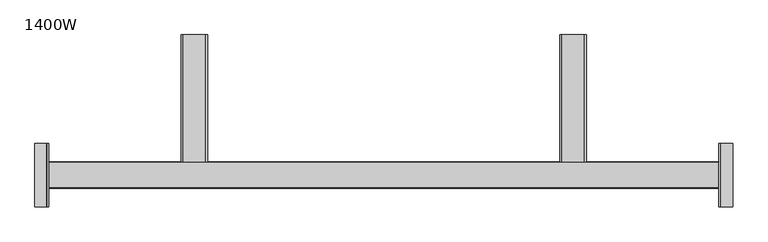
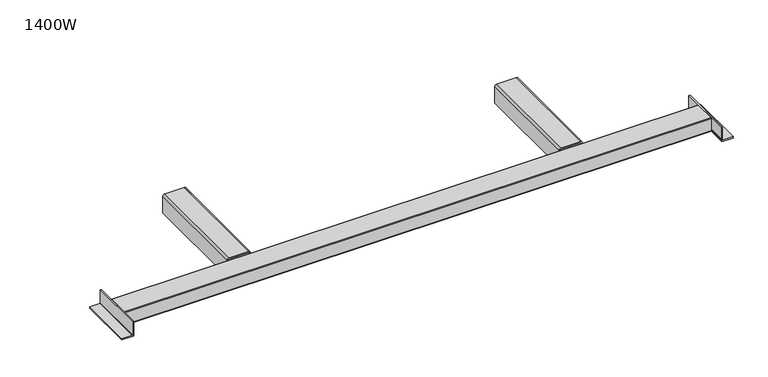
"""IFC4 building model written with IfcOpenShell, lengths in millimetres: furniture geometry, 1400W."""

import ifcopenshell
import ifcopenshell.guid

model = None  # the IFC model being written
_history = None  # IfcOwnerHistory: only IFC2X3 demands one
_inside = {}  # id of a spatial element -> (the spatial element, [elements in it])
_under = {}  # id of a project, library or spatial element -> (it, [spatial elements below it])
_declared = {}  # id of a project -> (the project, [libraries it declares])
_typed = {}  # id of a type object -> (the type object, [elements of that type])
_made_of = {}  # id of a material, layer set ... -> (it, [elements and type objects made of it])


def new_model(schema):
    """Start an empty IFC model of exactly this schema.

    Asked for "IFC4X3", IfcOpenShell would pick the latest addendum, in which some entities
    have other attributes; the version numbers below select the first issue.
    IFC2X3 requires an IfcOwnerHistory on every rooted entity: one is made here for all.
    """
    global model, _history
    if schema == "IFC4X3":
        model = ifcopenshell.file(schema_version=(4, 3, 0, 0))
    else:
        model = ifcopenshell.file(schema=schema)
    _inside.clear()
    _under.clear()
    _declared.clear()
    _typed.clear()
    _made_of.clear()
    _history = None
    if model.schema == "IFC2X3":
        org = make("IfcOrganization", Name="unknown")
        user = make(
            "IfcPersonAndOrganization",
            ThePerson=make("IfcPerson", FamilyName="unknown"),
            TheOrganization=org,
        )
        app = make(
            "IfcApplication",
            ApplicationDeveloper=org,
            Version="unknown",
            ApplicationFullName="unknown",
            ApplicationIdentifier="unknown",
        )
        _history = make(
            "IfcOwnerHistory",
            OwningUser=user,
            OwningApplication=app,
            ChangeAction="ADDED",
            CreationDate=0,
        )
    return model


def make(cls, **values):
    """One entity of the class cls with the attributes given. An attribute that is None is left unset."""
    return model.create_entity(
        cls, **{name: value for name, value in values.items() if value is not None}
    )


def rooted(cls, **values):
    """An entity with a GlobalId (a new one), such as an element, a storey or a relation."""
    return make(cls, GlobalId=ifcopenshell.guid.new(), OwnerHistory=_history, **values)


def si_unit(unit_type, name, prefix=None):
    """IfcSIUnit, for example si_unit("LENGTHUNIT", "METRE", prefix="MILLI")."""
    return make("IfcSIUnit", UnitType=unit_type, Prefix=prefix, Name=name)


def assignment(units):
    """IfcUnitAssignment: the units of a project."""
    return None if units is None else make("IfcUnitAssignment", Units=units)


def point(xyz):
    """IfcCartesianPoint."""
    return None if xyz is None else make("IfcCartesianPoint", Coordinates=xyz)


def direction(xyz):
    """IfcDirection."""
    return None if xyz is None else make("IfcDirection", DirectionRatios=xyz)


def frame(location, z_axis=None, x_axis=None):
    """IfcAxis2Placement3D, a coordinate frame: its origin and axes. An axis left out is left unset."""
    return make(
        "IfcAxis2Placement3D",
        Location=point(location),
        Axis=direction(z_axis),
        RefDirection=direction(x_axis),
    )


def frame_2d(location, x_axis=None):
    """IfcAxis2Placement2D, a coordinate frame in the plane: its origin and x axis."""
    return make(
        "IfcAxis2Placement2D", Location=point(location), RefDirection=direction(x_axis)
    )


def origin():
    """The frame at (0, 0, 0) with its axes left unset."""
    return frame((0.0, 0.0, 0.0))


def place(relative_to, where):
    """IfcLocalPlacement: puts the frame where relative to a parent placement (None: the world)."""
    return make(
        "IfcLocalPlacement", PlacementRelTo=relative_to, RelativePlacement=where
    )


def context(
    kind, dimensions, precision=None, world=None, true_north=None, identifier=None
):
    """IfcGeometricRepresentationContext, for example the 3D "Model" context."""
    return make(
        "IfcGeometricRepresentationContext",
        ContextIdentifier=identifier,
        ContextType=kind,
        CoordinateSpaceDimension=dimensions,
        Precision=precision,
        WorldCoordinateSystem=world,
        TrueNorth=true_north,
    )


def project(units=None, contexts=None):
    """IfcProject with its units and contexts."""
    return rooted(
        "IfcProject",
        Name="project",
        RepresentationContexts=contexts,
        UnitsInContext=assignment(units),
    )


def spatial(cls, under=None, at=None, **own):
    """A site, building, storey or space (cls), placed at a placement, below another one or the project."""
    s = rooted(cls, ObjectPlacement=at, **own)
    if under is not None:
        _under.setdefault(under.id(), (under, []))[1].append(s)
    return s


def polyline(points):
    """IfcPolyline through the points."""
    return make("IfcPolyline", Points=[point(p) for p in points])


def circle_curve(where, radius):
    """IfcCircle in the frame where."""
    return make("IfcCircle", Position=where, Radius=radius)


def trimmed(basis, trim1, trim2, sense, master):
    """IfcTrimmedCurve: the piece of a basis curve between two trims."""
    return make(
        "IfcTrimmedCurve",
        BasisCurve=basis,
        Trim1=trim1,
        Trim2=trim2,
        SenseAgreement=sense,
        MasterRepresentation=master,
    )


def segment(curve, same_sense, transition):
    """IfcCompositeCurveSegment."""
    return make(
        "IfcCompositeCurveSegment",
        Transition=transition,
        SameSense=same_sense,
        ParentCurve=curve,
    )


def composite_curve(segments, self_intersect=None):
    """IfcCompositeCurve: segments joined end to end."""
    return make("IfcCompositeCurve", Segments=segments, SelfIntersect=self_intersect)


def outline(outer, holes=None, kind="AREA"):
    """IfcArbitraryClosedProfileDef: a profile drawn as a closed curve; with holes, ...WithVoids."""
    if holes is None:
        return make("IfcArbitraryClosedProfileDef", ProfileType=kind, OuterCurve=outer)
    return make(
        "IfcArbitraryProfileDefWithVoids",
        ProfileType=kind,
        OuterCurve=outer,
        InnerCurves=holes,
    )


def extrude(swept, where, along, depth):
    """IfcExtrudedAreaSolid: the profile swept, set in the frame where, extruded along a direction by depth."""
    return make(
        "IfcExtrudedAreaSolid",
        SweptArea=swept,
        Position=where,
        ExtrudedDirection=direction(along),
        Depth=depth,
    )


def shape(context_of_items, identifier, shape_type, items):
    """IfcShapeRepresentation: the items that make up one representation, for example the "Body"."""
    return make(
        "IfcShapeRepresentation",
        ContextOfItems=context_of_items,
        RepresentationIdentifier=identifier,
        RepresentationType=shape_type,
        Items=items,
    )


def source(mapping_origin, context_of_items, identifier, shape_type, items):
    """IfcRepresentationMap: a shape defined once, which mapped items show again and again."""
    return make(
        "IfcRepresentationMap",
        MappingOrigin=mapping_origin,
        MappedRepresentation=shape(context_of_items, identifier, shape_type, items),
    )


def transform(
    local_origin,
    x_axis=None,
    y_axis=None,
    z_axis=None,
    scale=None,
    scale2=None,
    scale3=None,
    uniform=True,
):
    """IfcCartesianTransformationOperator3D, or its non-uniform kind. x_axis, y_axis, z_axis: its Axis1, 2, 3."""
    if uniform:
        return make(
            "IfcCartesianTransformationOperator3D",
            Axis1=direction(x_axis),
            Axis2=direction(y_axis),
            LocalOrigin=point(local_origin),
            Scale=scale,
            Axis3=direction(z_axis),
        )
    return make(
        "IfcCartesianTransformationOperator3DnonUniform",
        Axis1=direction(x_axis),
        Axis2=direction(y_axis),
        LocalOrigin=point(local_origin),
        Scale=scale,
        Axis3=direction(z_axis),
        Scale2=scale2,
        Scale3=scale3,
    )


def mapped(mapping_source, mapping_target):
    """IfcMappedItem: shows the shape of a source again, moved by a transform."""
    return make(
        "IfcMappedItem", MappingSource=mapping_source, MappingTarget=mapping_target
    )


def made_of(thing, what):
    """Note that an element or type object is made of a material, layer set ...; save() writes the relation."""
    if what is not None:
        _made_of.setdefault(what.id(), (what, []))[1].append(thing)
    return thing


def element(
    cls,
    number,
    at=None,
    inside=None,
    cuts=None,
    type_object=None,
    material=None,
    context=None,
    identifier="Body",
    shape_type=None,
    held_by="IfcProductDefinitionShape",
    body=None,
    shapes=None,
    **own,
):
    """One element of the class cls, such as IfcWall. Its Tag is "e" and its number.

    at: its placement. inside: the storey or other place that contains it. cuts: it is an
    opening in that element (IfcRelVoidsElement). A single representation is given by context,
    identifier, shape_type and body (its items); several are given by shapes. held_by: the class
    of the entity that holds the representations. save() writes the other relations.
    """
    e = rooted(cls, Tag="e%d" % number, ObjectPlacement=at, **own)
    if body is not None:
        shapes = [shape(context, identifier, shape_type, body)]
    if shapes is not None:
        e.Representation = make(held_by, Representations=shapes)
    if inside is not None:
        _inside.setdefault(inside.id(), (inside, []))[1].append(e)
    if cuts is not None:
        rooted(
            "IfcRelVoidsElement", RelatingBuildingElement=cuts, RelatedOpeningElement=e
        )
    if type_object is not None:
        _typed.setdefault(type_object.id(), (type_object, []))[1].append(e)
    return made_of(e, material)


def aggregate(whole, parts):
    """IfcRelAggregates: a whole, such as a stair, and the parts it consists of."""
    return rooted("IfcRelAggregates", RelatingObject=whole, RelatedObjects=parts)


def save(model, path):
    """Write the relations noted so far, then the file.

    IfcRelAggregates (storeys below a building ...), IfcRelContainedInSpatialStructure (elements
    in a storey), IfcRelDefinesByType, IfcRelAssociatesMaterial and IfcRelDeclares: one each for
    every whole, place, type object, material and project.
    """
    for whole, parts in _under.values():
        aggregate(whole, parts)
    for where, things in _inside.values():
        rooted(
            "IfcRelContainedInSpatialStructure",
            RelatedElements=things,
            RelatingStructure=where,
        )
    for kind, things in _typed.values():
        rooted("IfcRelDefinesByType", RelatedObjects=things, RelatingType=kind)
    for what, things in _made_of.values():
        rooted("IfcRelAssociatesMaterial", RelatedObjects=things, RelatingMaterial=what)
    for by, libraries in _declared.values():
        rooted("IfcRelDeclares", RelatingContext=by, RelatedDefinitions=libraries)
    model.write(path)


def furniture_1400w_a86f9e42(model_context):
    return source(origin(), model_context, "Body", "SweptSolid", [
        extrude(outline(composite_curve([segment(polyline([(652.9999672, 319.1551504), (690.9999966, 319.1551504)]), True, "CONTINUOUS"), segment(trimmed(circle_curve(frame_2d((690.9999966, 321.1551504)), 2.0), [point((690.9999966, 319.1551504))], [point((692.9999966, 321.1551504))], True, "CARTESIAN"), True, "CONTINUOUS"), segment(polyline([(692.9999966, 321.1551504), (692.9999966, 363.1554886)]), True, "CONTINUOUS"), segment(trimmed(circle_curve(frame_2d((690.9999966, 363.1554886)), 2.0), [point((692.9999966, 363.1554886))], [point((690.9999966, 365.1554886))], True, "CARTESIAN"), True, "CONTINUOUS"), segment(polyline([(690.9999966, 365.1554886), (652.9999672, 365.1554886), (652.9999672, 367.1548192), (691.0, 367.1548192)]), True, "CONTINUOUS"), segment(trimmed(circle_curve(frame_2d((691.0, 363.1548192)), 4.0), [point((691.0, 367.1548192))], [point((695.0, 363.1548192))], False, "CARTESIAN"), True, "CONTINUOUS"), segment(polyline([(695.0, 363.1548192), (695.0, 321.1557999)]), True, "CONTINUOUS"), segment(trimmed(circle_curve(frame_2d((691.0, 321.1557999)), 4.0), [point((695.0, 321.1557999))], [point((691.0, 317.1557999))], False, "CARTESIAN"), True, "CONTINUOUS"), segment(polyline([(691.0, 317.1557999), (652.9999672, 317.1557999), (652.9999672, 319.1551504)]), True, "CONTINUOUS")], self_intersect=False)), frame((0.0, 338.1796707, 0.0), z_axis=(0.0, 1.0, 0.0), x_axis=(0.0, 0.0, 1.0)), (0.0, 0.0, 1.0), 240.3203238),
        extrude(outline(composite_curve([segment(polyline([(652.9999672, 1080.8448496), (652.9999672, 1082.8442001), (691.0, 1082.8442001)]), True, "CONTINUOUS"), segment(trimmed(circle_curve(frame_2d((691.0, 1078.8442001)), 4.0), [point((691.0, 1082.8442001))], [point((695.0, 1078.8442001))], False, "CARTESIAN"), True, "CONTINUOUS"), segment(polyline([(695.0, 1078.8442001), (695.0, 1036.8451808)]), True, "CONTINUOUS"), segment(trimmed(circle_curve(frame_2d((691.0, 1036.8451808)), 4.0), [point((695.0, 1036.8451808))], [point((691.0, 1032.8451808))], False, "CARTESIAN"), True, "CONTINUOUS"), segment(polyline([(691.0, 1032.8451808), (652.9999672, 1032.8451808), (652.9999672, 1034.8445114), (690.9999966, 1034.8445114)]), True, "CONTINUOUS"), segment(trimmed(circle_curve(frame_2d((690.9999966, 1036.8445114)), 2.0), [point((690.9999966, 1034.8445114))], [point((692.9999966, 1036.8445114))], True, "CARTESIAN"), True, "CONTINUOUS"), segment(polyline([(692.9999966, 1036.8445114), (692.9999966, 1078.8448496)]), True, "CONTINUOUS"), segment(trimmed(circle_curve(frame_2d((690.9999966, 1078.8448496)), 2.0), [point((692.9999966, 1078.8448496))], [point((690.9999966, 1080.8448496))], True, "CARTESIAN"), True, "CONTINUOUS"), segment(polyline([(690.9999966, 1080.8448496), (652.9999672, 1080.8448496)]), True, "CONTINUOUS")], self_intersect=False)), frame((0.0, 338.1796707, 0.0), z_axis=(0.0, 1.0, 0.0), x_axis=(0.0, 0.0, 1.0)), (0.0, 0.0, 1.0), 240.3203238),
        extrude(outline(composite_curve([segment(polyline([(689.9999617, 67.1565416), (689.9999617, 64.1575733), (660.6007319, 64.1575733)]), True, "CONTINUOUS"), segment(trimmed(circle_curve(frame_2d((660.6007319, 63.5568174)), 0.6007559), [point((660.6007319, 64.1575733))], [point((659.999976, 63.5568174))], True, "CARTESIAN"), True, "CONTINUOUS"), segment(polyline([(659.999976, 63.5568174), (659.999976, 41.1567834), (657.0000137, 41.1567834), (657.0000137, 64.0369041)]), True, "CONTINUOUS"), segment(trimmed(circle_curve(frame_2d((660.1196512, 64.0369041)), 3.1196375), [point((657.0000137, 64.0369041))], [point((660.1196512, 67.1565416))], False, "CARTESIAN"), True, "CONTINUOUS"), segment(polyline([(660.1196512, 67.1565416), (689.9999617, 67.1565416)]), True, "CONTINUOUS")], self_intersect=False)), frame((0.0, 253.4999921, 0.0), z_axis=(0.0, 1.0, 0.0), x_axis=(0.0, 0.0, 1.0)), (0.0, 0.0, 1.0), 119.9999791),
        extrude(outline(composite_curve([segment(polyline([(689.9999617, 1332.8434584), (660.1196512, 1332.8434584)]), True, "CONTINUOUS"), segment(trimmed(circle_curve(frame_2d((660.1196512, 1335.9630959)), 3.1196375), [point((660.1196512, 1332.8434584))], [point((657.0000137, 1335.9630959))], False, "CARTESIAN"), True, "CONTINUOUS"), segment(polyline([(657.0000137, 1335.9630959), (657.0000137, 1358.8432166), (659.999976, 1358.8432166), (659.999976, 1336.4431826)]), True, "CONTINUOUS"), segment(trimmed(circle_curve(frame_2d((660.6007319, 1336.4431826)), 0.6007559), [point((659.999976, 1336.4431826))], [point((660.6007319, 1335.8424267))], True, "CARTESIAN"), True, "CONTINUOUS"), segment(polyline([(660.6007319, 1335.8424267), (689.9999617, 1335.8424267), (689.9999617, 1332.8434584)]), True, "CONTINUOUS")], self_intersect=False)), frame((0.0, 253.4999921, 0.0), z_axis=(0.0, 1.0, 0.0), x_axis=(0.0, 0.0, 1.0)), (0.0, 0.0, 1.0), 119.9999791),
        extrude(outline(composite_curve([segment(trimmed(circle_curve(frame_2d((289.4999815, 660.999976)), 1.0), [point((289.4999815, 659.999976))], [point((288.4999815, 660.999976))], False, "CARTESIAN"), True, "CONTINUOUS"), segment(polyline([(288.4999815, 660.999976), (288.4999815, 689.0004764)]), True, "CONTINUOUS"), segment(trimmed(circle_curve(frame_2d((289.4999815, 689.0004764)), 1.0), [point((288.4999815, 689.0004764))], [point((289.4999815, 690.0004764))], False, "CARTESIAN"), True, "CONTINUOUS"), segment(polyline([(289.4999815, 690.0004764), (337.5, 690.0004764)]), True, "CONTINUOUS"), segment(trimmed(circle_curve(frame_2d((337.5, 689.0004764)), 1.0), [point((337.5, 690.0004764))], [point((338.5, 689.0004764))], False, "CARTESIAN"), True, "CONTINUOUS"), segment(polyline([(338.5, 689.0004764), (338.5, 660.999976)]), True, "CONTINUOUS"), segment(trimmed(circle_curve(frame_2d((337.5, 660.999976)), 1.0), [point((338.5, 660.999976))], [point((337.5, 659.999976))], False, "CARTESIAN"), True, "CONTINUOUS"), segment(polyline([(337.5, 659.999976), (289.4999815, 659.999976)]), True, "CONTINUOUS")], self_intersect=False), holes=[polyline([(336.4999767, 687.9999384), (290.4999866, 687.9999384), (290.4999866, 662.0002172), (336.4999767, 662.0002172), (336.4999767, 687.9999384)])]), frame((67.1565416, 0.0, 0.0), z_axis=(1.0, 0.0, 0.0), x_axis=(0.0, 1.0, 0.0)), (0.0, 0.0, 1.0), 1265.6869168),
    ])


if __name__ == "__main__":
    model = new_model("IFC4")
    model_context = context("Model", 3, world=origin())
    ifc_project = project(units=[si_unit("LENGTHUNIT", "METRE", prefix="MILLI")], contexts=[model_context])
    site = spatial("IfcSite", under=ifc_project)
    building = spatial("IfcBuilding", under=site)
    placement = place(None, origin())
    furniture_1400w_shape = furniture_1400w_a86f9e42(model_context)
    element("IfcFurniture", 1, ObjectType="1400W", at=placement, inside=building, context=model_context, shape_type="MappedRepresentation", body=[
        mapped(furniture_1400w_shape, transform((0.0, 0.0, 0.0), x_axis=(1.0, 0.0, 0.0), y_axis=(0.0, 1.0, 0.0), z_axis=(0.0, 0.0, 1.0))),
    ])
    save(model, "model.ifc")
